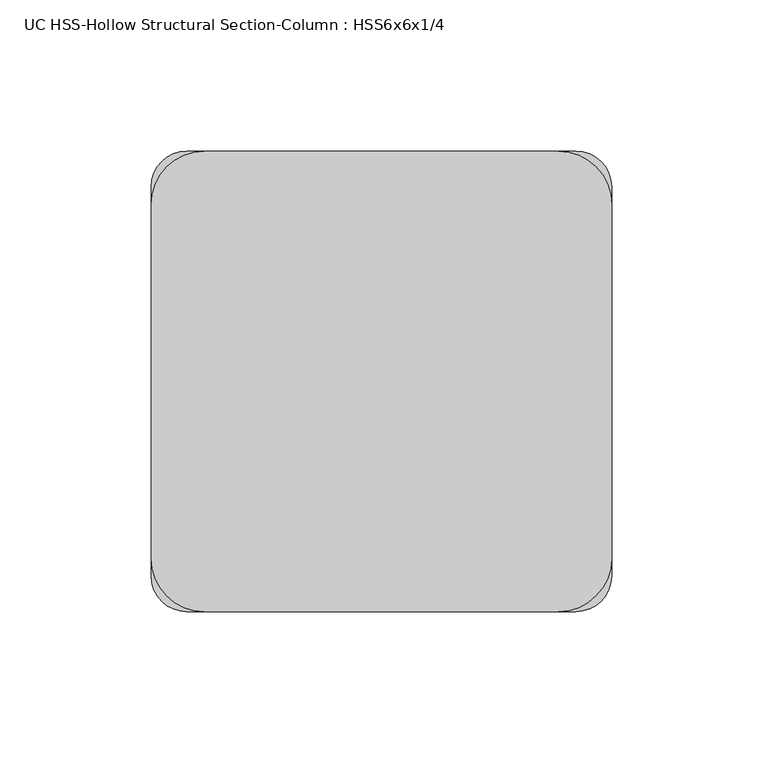
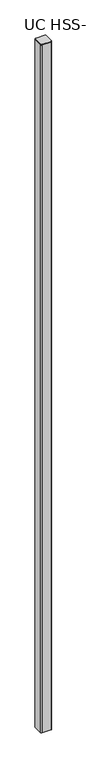
"""IFC4 building model written with IfcOpenShell, lengths in millimetres: column geometry, UC HSS-Hollow Structural Section-Column : HSS6x6x1/4."""

from ifc_helpers import new_model, si_unit, point, frame, frame_2d, origin, place, context, project, spatial, polyline, circle_curve, trimmed, segment, composite_curve, outline, extrude, source, transform, mapped, element, save


def uc_hss_hollow_structural_section_column_hss6x6x1_4_e8c6a24d(model_context):
    return source(origin(), model_context, "Body", "SweptSolid", [
        extrude(outline(composite_curve([segment(trimmed(circle_curve(frame_2d((-58.5390625, 58.5390625)), 17.6609375), [point((-76.2, 58.5390625))], [point((-58.5390625, 76.2))], False, "CARTESIAN"), True, "CONTINUOUS"), segment(polyline([(-58.5390625, 76.2), (58.5390625, 76.2)]), True, "CONTINUOUS"), segment(trimmed(circle_curve(frame_2d((58.5390625, 58.5390625)), 17.6609375), [point((58.5390625, 76.2))], [point((76.2, 58.5390625))], False, "CARTESIAN"), True, "CONTINUOUS"), segment(polyline([(76.2, 58.5390625), (76.2, -58.5390625)]), True, "CONTINUOUS"), segment(trimmed(circle_curve(frame_2d((58.5390625, -58.5390625)), 17.6609375), [point((76.2, -58.5390625))], [point((58.5390625, -76.2))], False, "CARTESIAN"), True, "CONTINUOUS"), segment(polyline([(58.5390625, -76.2), (-58.5390625, -76.2)]), True, "CONTINUOUS"), segment(trimmed(circle_curve(frame_2d((-58.5390625, -58.5390625)), 17.6609375), [point((-58.5390625, -76.2))], [point((-76.2, -58.5390625))], False, "CARTESIAN"), True, "CONTINUOUS"), segment(polyline([(-76.2, -58.5390625), (-76.2, 58.5390625)]), True, "CONTINUOUS")], self_intersect=False)), frame((0.0, 0.0, 9493.25), z_axis=(0.0, 0.0, 1.0), x_axis=(1.0, 0.0, 0.0)), (0.0, 0.0, 1.0), 6.35),
        extrude(outline(composite_curve([segment(trimmed(circle_curve(frame_2d((64.3636, 64.3636)), 11.8364), [point((64.3636, 76.2))], [point((76.2, 64.3636))], False, "CARTESIAN"), True, "CONTINUOUS"), segment(polyline([(76.2, 64.3636), (76.2, -64.3636)]), True, "CONTINUOUS"), segment(trimmed(circle_curve(frame_2d((64.3636, -64.3636)), 11.8364), [point((76.2, -64.3636))], [point((64.3636, -76.2))], False, "CARTESIAN"), True, "CONTINUOUS"), segment(polyline([(64.3636, -76.2), (-64.3636, -76.2)]), True, "CONTINUOUS"), segment(trimmed(circle_curve(frame_2d((-64.3636, -64.3636)), 11.8364), [point((-64.3636, -76.2))], [point((-76.2, -64.3636))], False, "CARTESIAN"), True, "CONTINUOUS"), segment(polyline([(-76.2, -64.3636), (-76.2, 64.3636)]), True, "CONTINUOUS"), segment(trimmed(circle_curve(frame_2d((-64.3636, 64.3636)), 11.8364), [point((-76.2, 64.3636))], [point((-64.3636, 76.2))], False, "CARTESIAN"), True, "CONTINUOUS"), segment(polyline([(-64.3636, 76.2), (64.3636, 76.2)]), True, "CONTINUOUS")], self_intersect=False), holes=[composite_curve([segment(polyline([(64.3636, 70.2818), (-64.3636, 70.2818)]), True, "CONTINUOUS"), segment(trimmed(circle_curve(frame_2d((-64.3636, 64.3636)), 5.9182), [point((-64.3636, 70.2818))], [point((-70.2818, 64.3636))], True, "CARTESIAN"), True, "CONTINUOUS"), segment(polyline([(-70.2818, 64.3636), (-70.2818, -64.3636)]), True, "CONTINUOUS"), segment(trimmed(circle_curve(frame_2d((-64.3636, -64.3636)), 5.9182), [point((-70.2818, -64.3636))], [point((-64.3636, -70.2818))], True, "CARTESIAN"), True, "CONTINUOUS"), segment(polyline([(-64.3636, -70.2818), (64.3636, -70.2818)]), True, "CONTINUOUS"), segment(trimmed(circle_curve(frame_2d((64.3636, -64.3636)), 5.9182), [point((64.3636, -70.2818))], [point((70.2818, -64.3636))], True, "CARTESIAN"), True, "CONTINUOUS"), segment(polyline([(70.2818, -64.3636), (70.2818, 64.3636)]), True, "CONTINUOUS"), segment(trimmed(circle_curve(frame_2d((64.3636, 64.3636)), 5.9182), [point((70.2818, 64.3636))], [point((64.3636, 70.2818))], True, "CARTESIAN"), True, "CONTINUOUS")], self_intersect=False)]), frame((0.0, 0.0, -609.6), z_axis=(0.0, 0.0, 1.0), x_axis=(1.0, 0.0, 0.0)), (0.0, 0.0, 1.0), 10102.85),
    ])


if __name__ == "__main__":
    model = new_model("IFC4")
    model_context = context("Model", 3, world=origin())
    ifc_project = project(units=[si_unit("LENGTHUNIT", "METRE", prefix="MILLI")], contexts=[model_context])
    site = spatial("IfcSite", under=ifc_project)
    building = spatial("IfcBuilding", under=site)
    placement = place(None, origin())
    uc_hss_hollow_structural_section_column_hss6x6x1_4_shape = uc_hss_hollow_structural_section_column_hss6x6x1_4_e8c6a24d(model_context)
    element("IfcColumn", 1, ObjectType="UC HSS-Hollow Structural Section-Column : HSS6x6x1/4", at=placement, inside=building, context=model_context, shape_type="MappedRepresentation", body=[
        mapped(uc_hss_hollow_structural_section_column_hss6x6x1_4_shape, transform((0.0, 0.0, 0.0), x_axis=(1.0, 0.0, 0.0), y_axis=(0.0, 1.0, 0.0), z_axis=(0.0, 0.0, 1.0))),
    ])
    save(model, "model.ifc")
